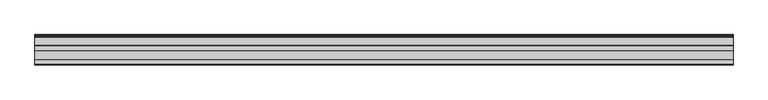
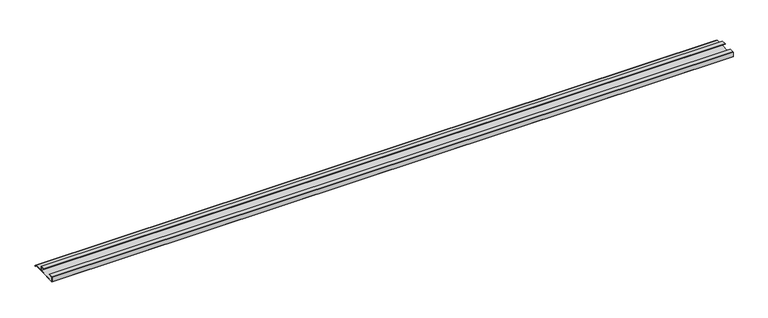
"""IFC4 building model written with IfcOpenShell, lengths in millimetres: furniture geometry."""

from ifc_helpers import new_model, si_unit, frame, origin, place, context, project, spatial, polyline, outline, extrude, source, transform, mapped, element, save


def furniture_ece750cd(model_context):
    return source(origin(), model_context, "Body", "SweptSolid", [
        extrude(outline(polyline([(-16.1532518, 529.6990798), (-16.9376349, 529.2807542), (-18.5259585, 530.9513289), (-20.7474799, 531.566662), (-21.763438, 533.5985874), (-45.0034802, 533.5985874), (-92.6265287, 531.566662), (-93.3884975, 532.3286308), (-93.3884975, 544.75888), (-92.5947475, 545.55263), (-80.6890189, 545.55263), (-80.6890189, 544.75888), (-92.6265287, 544.75888), (-92.6265287, 532.3286431), (-45.0034802, 534.3923374), (-45.0034802, 544.75888), (-56.9409919, 544.75888), (-56.9409919, 545.55263), (-45.0352673, 545.55263), (-44.2415173, 544.75888), (-44.2415173, 534.3923374), (-21.763438, 534.3923374), (-20.7474799, 532.5826247), (-18.0685872, 531.7136007), (-16.1532518, 529.6990798)])), frame((-867.5345592, 0.0, 0.0), z_axis=(1.0, 0.0, 0.0), x_axis=(0.0, 1.0, 0.0)), (0.0, 0.0, 1.0), 1774.0122),
    ])


if __name__ == "__main__":
    model = new_model("IFC4")
    model_context = context("Model", 3, world=origin())
    ifc_project = project(units=[si_unit("LENGTHUNIT", "METRE", prefix="MILLI")], contexts=[model_context])
    site = spatial("IfcSite", under=ifc_project)
    building = spatial("IfcBuilding", under=site)
    placement = place(None, origin())
    furniture_shape = furniture_ece750cd(model_context)
    element("IfcFurniture", 1, at=placement, inside=building, context=model_context, shape_type="MappedRepresentation", body=[
        mapped(furniture_shape, transform((0.0, 0.0, 0.0), x_axis=(1.0, 0.0, 0.0), y_axis=(0.0, 1.0, 0.0), z_axis=(0.0, 0.0, 1.0))),
    ])
    save(model, "model.ifc")
